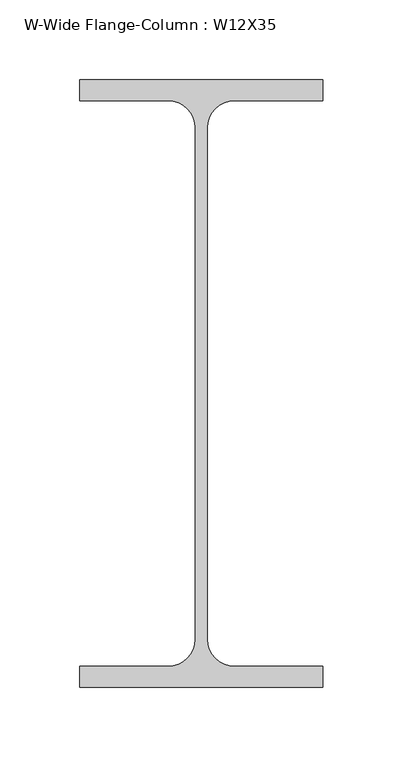
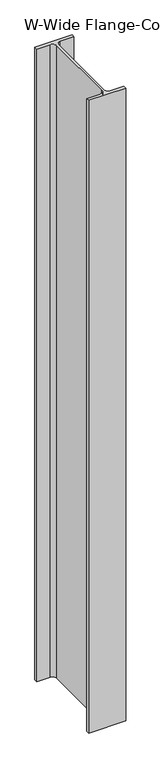
"""IFC4 building model written with IfcOpenShell, lengths in millimetres: column geometry, W-Wide Flange-Column : W12X35."""

from ifc_helpers import new_model, si_unit, point, frame_2d, origin, origin_with_axes, place, context, project, spatial, polyline, circle_curve, trimmed, segment, composite_curve, outline, extrude, source, transform, mapped, element, save


def w_wide_flange_column_w12x35_7514538d(model_context):
    return source(origin(), model_context, "Body", "SweptSolid", [
        extrude(outline(composite_curve([segment(polyline([(76.2, 190.5), (76.2, 177.292), (20.7645, 177.292)]), True, "CONTINUOUS"), segment(trimmed(circle_curve(frame_2d((20.7645, 160.3375)), 16.9545), [point((20.7645, 177.292))], [point((3.81, 160.3375))], True, "CARTESIAN"), True, "CONTINUOUS"), segment(polyline([(3.81, 160.3375), (3.81, -160.3375)]), True, "CONTINUOUS"), segment(trimmed(circle_curve(frame_2d((20.7645, -160.3375)), 16.9545), [point((3.81, -160.3375))], [point((20.7645, -177.292))], True, "CARTESIAN"), True, "CONTINUOUS"), segment(polyline([(20.7645, -177.292), (76.2, -177.292), (76.2, -190.5), (-76.2, -190.5), (-76.2, -177.292), (-20.7645, -177.292)]), True, "CONTINUOUS"), segment(trimmed(circle_curve(frame_2d((-20.7645, -160.3375)), 16.9545), [point((-20.7645, -177.292))], [point((-3.81, -160.3375))], True, "CARTESIAN"), True, "CONTINUOUS"), segment(polyline([(-3.81, -160.3375), (-3.81, 160.3375)]), True, "CONTINUOUS"), segment(trimmed(circle_curve(frame_2d((-20.7645, 160.3375)), 16.9545), [point((-3.81, 160.3375))], [point((-20.7645, 177.292))], True, "CARTESIAN"), True, "CONTINUOUS"), segment(polyline([(-20.7645, 177.292), (-76.2, 177.292), (-76.2, 190.5), (76.2, 190.5)]), True, "CONTINUOUS")], self_intersect=False)), origin_with_axes(), (0.0, 0.0, 1.0), 2743.2),
    ])


if __name__ == "__main__":
    model = new_model("IFC4")
    model_context = context("Model", 3, world=origin())
    ifc_project = project(units=[si_unit("LENGTHUNIT", "METRE", prefix="MILLI")], contexts=[model_context])
    site = spatial("IfcSite", under=ifc_project)
    building = spatial("IfcBuilding", under=site)
    placement = place(None, origin())
    w_wide_flange_column_w12x35_shape = w_wide_flange_column_w12x35_7514538d(model_context)
    element("IfcColumn", 1, ObjectType="W-Wide Flange-Column : W12X35", at=placement, inside=building, context=model_context, shape_type="MappedRepresentation", body=[
        mapped(w_wide_flange_column_w12x35_shape, transform((0.0, 0.0, 0.0), x_axis=(1.0, 0.0, 0.0), y_axis=(0.0, 1.0, 0.0), z_axis=(0.0, 0.0, 1.0))),
    ])
    save(model, "model.ifc")
